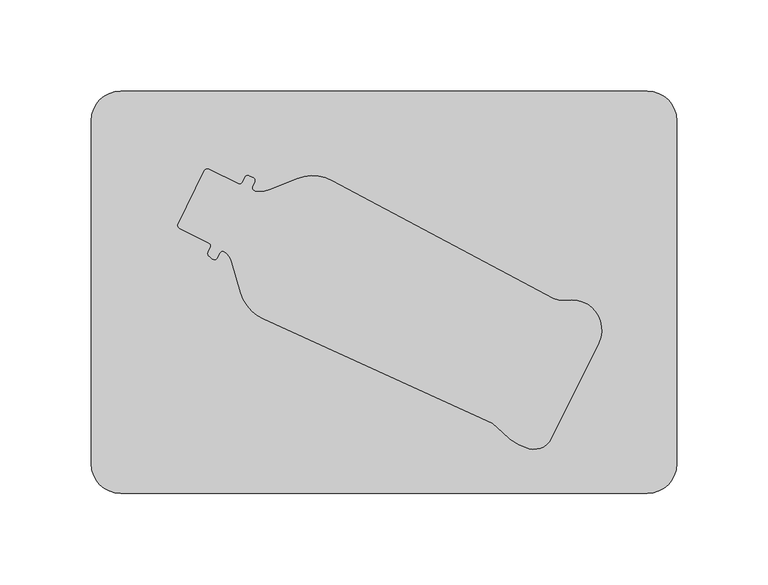
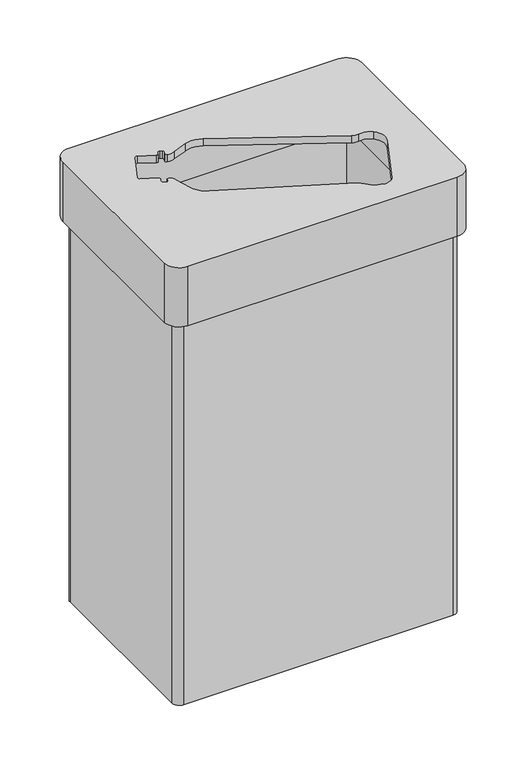
"""IFC4 building model written with IfcOpenShell, lengths in millimetres: furniture geometry."""

from ifc_helpers import new_model, si_unit, frame, origin, place, context, project, spatial, polyline, circle_curve, source, transform, mapped, element, save
from ifc_brep_helpers import plane_surface, cylinder_surface, revolved_surface, advanced_brep


def furniture_3e6a108d(model_context):
    return source(origin(), model_context, "Body", "AdvancedBrep", [
        advanced_brep(
        [(144.0, 110.0, 500.0), (-144.0, 110.0, 500.0), (-160.0, 94.0, 500.0), (-160.0, -94.0, 500.0), (-144.0, -110.0, 500.0), (144.0, -110.0, 500.0), (160.0, -94.0, 500.0), (160.0, 94.0, 500.0), (59.5843107, -71.6563973, 500.0), (-65.8931473, -14.6079938, 500.0), (-78.2521723, -0.2895037, 500.0), (-83.1803377, 16.6169973, 500.0), (-87.0044495, 22.1215762, 500.0), (-89.8301065, 21.5731394, 500.0), (-91.1059775, 18.9830206, 500.0), (-93.8036148, 18.3302183, 500.0), (-95.4113824, 19.5228809, 500.0), (-96.2339096, 21.9424259, 500.0), (-94.9243949, 24.6008441, 500.0), (-95.7469221, 27.020389, 500.0), (-111.7313977, 34.8942089, 500.0), (-112.5539249, 37.3137539, 500.0), (-98.1807647, 66.4924032, 500.0), (-95.7612197, 67.3149304, 500.0), (-79.776744, 59.4411105, 500.0), (-77.3571991, 60.2636377, 500.0), (-76.0476844, 62.9220559, 500.0), (-73.6281394, 63.744583, 500.0), (-71.5704661, 62.7309902, 500.0), (-70.7479389, 60.3114453, 500.0), (-71.8519965, 58.0701212, 500.0), (-70.5646552, 55.4956556, 500.0), (-62.5959675, 56.2532835, 500.0), (-47.4626798, 62.2155953, 500.0), (-28.5783978, 61.1438919, 500.0), (92.6808897, -3.330815, 500.0), (99.7648604, -4.4150109, 500.0), (113.5191292, -8.209037, 500.0), (117.3449783, -27.5875375, 500.0), (91.5026253, -80.049553, 500.0), (79.4158996, -85.5472068, 500.0), (64.8157204, -76.6560157, 500.0), (144.0, 110.0, 433.0), (160.0, 94.0, 433.0), (160.0, -94.0, 433.0), (144.0, -110.0, 433.0), (-144.0, -110.0, 433.0), (-160.0, -94.0, 433.0), (-160.0, 94.0, 433.0), (-144.0, 110.0, 433.0), (144.0, 94.0, 433.0), (-144.0, 94.0, 433.0), (-144.0, -94.0, 433.0), (144.0, -94.0, 433.0), (144.0, -94.0, 492.0), (144.0, 94.0, 492.0), (-144.0, -94.0, 492.0), (-144.0, 94.0, 492.0), (59.5843107, -71.6563973, 492.0), (64.8157204, -76.6560157, 492.0), (79.4158996, -85.5472068, 492.0), (91.5026253, -80.049553, 492.0), (117.3449783, -27.5875375, 492.0), (113.5191292, -8.209037, 492.0), (99.7648604, -4.4150109, 492.0), (92.6808897, -3.330815, 492.0), (-28.5783978, 61.1438919, 492.0), (-47.4626798, 62.2155953, 492.0), (-62.5959675, 56.2532835, 492.0), (-70.5646552, 55.4956556, 492.0), (-71.8519965, 58.0701212, 492.0), (-70.7479389, 60.3114453, 492.0), (-71.5704661, 62.7309902, 492.0), (-73.6281394, 63.744583, 492.0), (-76.0476844, 62.9220559, 492.0), (-77.3571991, 60.2636377, 492.0), (-79.776744, 59.4411105, 492.0), (-95.7612197, 67.3149304, 492.0), (-98.1807647, 66.4924032, 492.0), (-112.5539249, 37.3137539, 492.0), (-111.7313977, 34.8942089, 492.0), (-95.7469221, 27.020389, 492.0), (-94.9243949, 24.6008441, 492.0), (-96.2339096, 21.9424259, 492.0), (-95.4113824, 19.5228809, 492.0), (-93.8036148, 18.3302183, 492.0), (-91.1059775, 18.9830206, 492.0), (-89.8301065, 21.5731394, 492.0), (-87.0044495, 22.1215762, 492.0), (-83.1803377, 16.6169973, 492.0), (-78.2521723, -0.2895037, 492.0), (-65.8931473, -14.6079938, 492.0)],
        [
            (0, 1),
            (1, 2, circle_curve(frame((-144.0, 94.0, 500.0), z_axis=(0.0, 0.0, 1.0), x_axis=(1.0, 0.0, 0.0)), 16.0)),
            (2, 3),
            (3, 4, circle_curve(frame((-144.0, -94.0, 500.0), z_axis=(0.0, 0.0, 1.0), x_axis=(1.0, 0.0, 0.0)), 16.0)),
            (4, 5),
            (5, 6, circle_curve(frame((144.0, -94.0, 500.0), z_axis=(0.0, 0.0, 1.0), x_axis=(1.0, 0.0, 0.0)), 16.0)),
            (6, 7),
            (7, 0, circle_curve(frame((144.0, 94.0, 500.0), z_axis=(0.0, 0.0, 1.0), x_axis=(1.0, 0.0, 0.0)), 16.0)),
            (8, 9),
            (9, 10, circle_curve(frame((-56.5444017, 5.9544893, 500.0), z_axis=(0.0, 0.0, -1.0), x_axis=(1.0, 0.0, 0.0)), 22.5879338)),
            (10, 11),
            (11, 12, circle_curve(frame((-93.398379, 13.5989968, 500.0), z_axis=(0.0, 0.0, 1.0), x_axis=(1.0, 0.0, 0.0)), 10.6544214)),
            (12, 13, circle_curve(frame((-88.1691769, 20.5690908, 500.0), z_axis=(0.0, 0.0, 1.0), x_axis=(1.0, 0.0, 0.0)), 1.9408247)),
            (13, 14),
            (14, 15, circle_curve(frame((-92.7270136, 19.7815295, 500.0), z_axis=(0.0, 0.0, -1.0), x_axis=(1.0, 0.0, 0.0)), 1.8070347)),
            (15, 16),
            (16, 17, circle_curve(frame((-94.0726412, 21.3275696, 500.0), z_axis=(0.0, 0.0, -1.0), x_axis=(1.0, 0.0, 0.0)), 2.2470268)),
            (17, 18),
            (18, 19, circle_curve(frame((-96.545431, 25.399353, 500.0), z_axis=(0.0, 0.0, 1.0), x_axis=(1.0, 0.0, 0.0)), 1.8070347)),
            (19, 20),
            (20, 21, circle_curve(frame((-110.9328888, 36.515245, 500.0), z_axis=(0.0, 0.0, -1.0), x_axis=(1.0, 0.0, 0.0)), 1.8070347)),
            (21, 22),
            (22, 23, circle_curve(frame((-96.5597286, 65.6938943, 500.0), z_axis=(0.0, 0.0, -1.0), x_axis=(1.0, 0.0, 0.0)), 1.8070347)),
            (23, 24),
            (24, 25, circle_curve(frame((-78.9782351, 61.0621466, 500.0), z_axis=(0.0, 0.0, 1.0), x_axis=(1.0, 0.0, 0.0)), 1.8070347)),
            (25, 26),
            (26, 27, circle_curve(frame((-74.4266483, 62.1235469, 500.0), z_axis=(0.0, 0.0, -1.0), x_axis=(1.0, 0.0, 0.0)), 1.8070347)),
            (27, 28),
            (28, 29, circle_curve(frame((-72.368975, 61.1099542, 500.0), z_axis=(0.0, 0.0, -1.0), x_axis=(1.0, 0.0, 0.0)), 1.8070347)),
            (29, 30),
            (30, 31, circle_curve(frame((-70.2309604, 57.2716123, 500.0), z_axis=(0.0, 0.0, 1.0), x_axis=(1.0, 0.0, 0.0)), 1.8070347)),
            (31, 32, circle_curve(frame((-67.8950968, 69.7033092, 500.0), z_axis=(0.0, 0.0, 1.0), x_axis=(1.0, 0.0, 0.0)), 14.4562776)),
            (32, 33),
            (33, 34, circle_curve(frame((-39.1827904, 41.1999301, 500.0), z_axis=(0.0, 0.0, -1.0), x_axis=(1.0, 0.0, 0.0)), 22.5879338)),
            (34, 35),
            (35, 36, circle_curve(frame((97.7709982, 6.2422867, 500.0), z_axis=(0.0, 0.0, 1.0), x_axis=(1.0, 0.0, 0.0)), 10.8422082)),
            (36, 37, circle_curve(frame((102.7556536, -20.4009574, 500.0), z_axis=(0.0, 0.0, -1.0), x_axis=(1.0, 0.0, 0.0)), 16.2633123)),
            (37, 38, circle_curve(frame((102.7556536, -20.4009574, 500.0), z_axis=(0.0, 0.0, -1.0), x_axis=(1.0, 0.0, 0.0)), 16.2633123)),
            (38, 39),
            (39, 40, circle_curve(frame((82.0352719, -75.2706533, 500.0), z_axis=(0.0, 0.0, -1.0), x_axis=(1.0, 0.0, 0.0)), 10.6051244)),
            (40, 41, circle_curve(frame((86.6195994, -57.2850133, 500.0), z_axis=(0.0, 0.0, -1.0), x_axis=(1.0, 0.0, 0.0)), 29.1658169)),
            (41, 8, circle_curve(frame((31.6593098, -106.1128343, 500.0), z_axis=(0.0, 0.0, 1.0), x_axis=(1.0, 0.0, 0.0)), 44.3514569)),
            (42, 43, circle_curve(frame((144.0, 94.0, 433.0), z_axis=(0.0, 0.0, -1.0), x_axis=(1.0, 0.0, 0.0)), 16.0)),
            (43, 44),
            (44, 45, circle_curve(frame((144.0, -94.0, 433.0), z_axis=(0.0, 0.0, -1.0), x_axis=(1.0, 0.0, 0.0)), 16.0)),
            (45, 46),
            (46, 47, circle_curve(frame((-144.0, -94.0, 433.0), z_axis=(0.0, 0.0, -1.0), x_axis=(1.0, 0.0, 0.0)), 16.0)),
            (47, 48),
            (48, 49, circle_curve(frame((-144.0, 94.0, 433.0), z_axis=(0.0, 0.0, -1.0), x_axis=(1.0, 0.0, 0.0)), 16.0)),
            (49, 42),
            (50, 51),
            (51, 52),
            (52, 53),
            (53, 50),
            (0, 42),
            (49, 1),
            (48, 2),
            (47, 3),
            (46, 4),
            (45, 5),
            (44, 6),
            (43, 7),
            (53, 54),
            (54, 55),
            (55, 50),
            (52, 56),
            (56, 54),
            (51, 57),
            (57, 56),
            (55, 57),
            (58, 59, circle_curve(frame((31.6593098, -106.1128343, 492.0), z_axis=(0.0, 0.0, -1.0), x_axis=(1.0, 0.0, 0.0)), 44.3514569)),
            (59, 60, circle_curve(frame((86.6195994, -57.2850133, 492.0), z_axis=(0.0, 0.0, 1.0), x_axis=(1.0, 0.0, 0.0)), 29.1658169)),
            (60, 61, circle_curve(frame((82.0352719, -75.2706533, 492.0), z_axis=(0.0, 0.0, 1.0), x_axis=(1.0, 0.0, 0.0)), 10.6051244)),
            (61, 62),
            (62, 63, circle_curve(frame((102.7556536, -20.4009574, 492.0), z_axis=(0.0, 0.0, 1.0), x_axis=(1.0, 0.0, 0.0)), 16.2633123)),
            (63, 64, circle_curve(frame((102.7556536, -20.4009574, 492.0), z_axis=(0.0, 0.0, 1.0), x_axis=(1.0, 0.0, 0.0)), 16.2633123)),
            (64, 65, circle_curve(frame((97.7709982, 6.2422867, 492.0), z_axis=(0.0, 0.0, -1.0), x_axis=(1.0, 0.0, 0.0)), 10.8422082)),
            (65, 66),
            (66, 67, circle_curve(frame((-39.1827904, 41.1999301, 492.0), z_axis=(0.0, 0.0, 1.0), x_axis=(1.0, 0.0, 0.0)), 22.5879338)),
            (67, 68),
            (68, 69, circle_curve(frame((-67.8950968, 69.7033092, 492.0), z_axis=(0.0, 0.0, -1.0), x_axis=(1.0, 0.0, 0.0)), 14.4562776)),
            (69, 70, circle_curve(frame((-70.2309604, 57.2716123, 492.0), z_axis=(0.0, 0.0, -1.0), x_axis=(1.0, 0.0, 0.0)), 1.8070347)),
            (70, 71),
            (71, 72, circle_curve(frame((-72.368975, 61.1099542, 492.0), z_axis=(0.0, 0.0, 1.0), x_axis=(1.0, 0.0, 0.0)), 1.8070347)),
            (72, 73),
            (73, 74, circle_curve(frame((-74.4266483, 62.1235469, 492.0), z_axis=(0.0, 0.0, 1.0), x_axis=(1.0, 0.0, 0.0)), 1.8070347)),
            (74, 75),
            (75, 76, circle_curve(frame((-78.9782351, 61.0621466, 492.0), z_axis=(0.0, 0.0, -1.0), x_axis=(1.0, 0.0, 0.0)), 1.8070347)),
            (76, 77),
            (77, 78, circle_curve(frame((-96.5597286, 65.6938943, 492.0), z_axis=(0.0, 0.0, 1.0), x_axis=(1.0, 0.0, 0.0)), 1.8070347)),
            (78, 79),
            (79, 80, circle_curve(frame((-110.9328888, 36.515245, 492.0), z_axis=(0.0, 0.0, 1.0), x_axis=(1.0, 0.0, 0.0)), 1.8070347)),
            (80, 81),
            (81, 82, circle_curve(frame((-96.545431, 25.399353, 492.0), z_axis=(0.0, 0.0, -1.0), x_axis=(1.0, 0.0, 0.0)), 1.8070347)),
            (82, 83),
            (83, 84, circle_curve(frame((-94.0726412, 21.3275696, 492.0), z_axis=(0.0, 0.0, 1.0), x_axis=(1.0, 0.0, 0.0)), 2.2470268)),
            (84, 85),
            (85, 86, circle_curve(frame((-92.7270136, 19.7815295, 492.0), z_axis=(0.0, 0.0, 1.0), x_axis=(1.0, 0.0, 0.0)), 1.8070347)),
            (86, 87),
            (87, 88, circle_curve(frame((-88.1691769, 20.5690908, 492.0), z_axis=(0.0, 0.0, -1.0), x_axis=(1.0, 0.0, 0.0)), 1.9408247)),
            (88, 89, circle_curve(frame((-93.398379, 13.5989968, 492.0), z_axis=(0.0, 0.0, -1.0), x_axis=(1.0, 0.0, 0.0)), 10.6544214)),
            (89, 90),
            (90, 91, circle_curve(frame((-56.5444017, 5.9544893, 492.0), z_axis=(0.0, 0.0, 1.0), x_axis=(1.0, 0.0, 0.0)), 22.5879338)),
            (91, 58),
            (8, 58),
            (91, 9),
            (90, 10),
            (89, 11),
            (88, 12),
            (87, 13),
            (86, 14),
            (85, 15),
            (84, 16),
            (83, 17),
            (82, 18),
            (81, 19),
            (80, 20),
            (79, 21),
            (78, 22),
            (77, 23),
            (76, 24),
            (75, 25),
            (74, 26),
            (73, 27),
            (72, 28),
            (71, 29),
            (70, 30),
            (69, 31),
            (68, 32),
            (67, 33),
            (66, 34),
            (65, 35),
            (64, 36),
            (63, 37),
            (62, 38),
            (61, 39),
            (60, 40),
            (59, 41),
        ],
        [
            plane_surface(frame((144.0, 110.0, 500.0), z_axis=(0.0, 0.0, 1.0), x_axis=(-1.0, 0.0, 0.0))),
            plane_surface(frame((144.0, 110.0, 433.0), z_axis=(0.0, 0.0, -1.0), x_axis=(1.0, 0.0, 0.0))),
            plane_surface(frame((144.0, 110.0, 500.0), z_axis=(0.0, 1.0, 0.0), x_axis=(0.0, 0.0, -1.0))),
            cylinder_surface(frame((-144.0, 94.0, 433.0), z_axis=(0.0, 0.0, 1.0), x_axis=(1.0, 0.0, 0.0)), 16.0),
            plane_surface(frame((-160.0, 94.0, 500.0), z_axis=(-1.0, 0.0, 0.0), x_axis=(0.0, 0.0, -1.0))),
            cylinder_surface(frame((-144.0, -94.0, 433.0), z_axis=(0.0, 0.0, 1.0), x_axis=(1.0, 0.0, 0.0)), 16.0),
            plane_surface(frame((-144.0, -110.0, 500.0), z_axis=(0.0, -1.0, 0.0), x_axis=(0.0, 0.0, -1.0))),
            cylinder_surface(frame((144.0, -94.0, 433.0), z_axis=(0.0, 0.0, 1.0), x_axis=(1.0, 0.0, 0.0)), 16.0),
            plane_surface(frame((160.0, -94.0, 500.0), z_axis=(1.0, 0.0, 0.0), x_axis=(0.0, 0.0, -1.0))),
            cylinder_surface(frame((144.0, 94.0, 433.0), z_axis=(0.0, 0.0, 1.0), x_axis=(1.0, 0.0, 0.0)), 16.0),
            plane_surface(frame((144.0, 94.0, 500.0), z_axis=(-1.0, 0.0, 0.0), x_axis=(0.0, 0.0, -1.0))),
            plane_surface(frame((144.0, -94.0, 500.0), z_axis=(0.0, 1.0, 0.0), x_axis=(0.0, 0.0, -1.0))),
            plane_surface(frame((-144.0, -94.0, 500.0), z_axis=(1.0, 0.0, 0.0), x_axis=(0.0, 0.0, -1.0))),
            plane_surface(frame((-144.0, 94.0, 500.0), z_axis=(0.0, -1.0, 0.0), x_axis=(0.0, 0.0, -1.0))),
            plane_surface(frame((-144.0, 94.0, 492.0), z_axis=(0.0, 0.0, -1.0), x_axis=(1.0, 0.0, 0.0))),
            plane_surface(frame((59.5843107, -71.6563973, 500.0), z_axis=(0.41388228194710813, 0.9103304107247295, 0.0), x_axis=(0.0, 0.0, -1.0))),
            revolved_surface(polyline([(-33.95646790000001, 5.9544893, 492.0), (-33.95646790000001, 5.9544893, 500.0)]), (-56.5444017, 5.9544893, 500.0), (0.0, 0.0, -1.0)),
            plane_surface(frame((-78.2521723, -0.2895037, 500.0), z_axis=(0.960044212937738, 0.27984836823672776, 0.0), x_axis=(0.0, 0.0, -1.0))),
            cylinder_surface(frame((-93.398379, 13.5989968, 500.0), z_axis=(0.0, 0.0, 1.0), x_axis=(1.0, 0.0, 0.0)), 10.6544214),
            cylinder_surface(frame((-88.1691769, 20.5690908, 500.0), z_axis=(0.0, 0.0, 1.0), x_axis=(1.0, 0.0, 0.0)), 1.9408247),
            plane_surface(frame((-89.8301065, 21.5731394, 500.0), z_axis=(-0.8970696971642247, 0.4418890793283833, 0.0), x_axis=(0.0, 0.0, -1.0))),
            revolved_surface(polyline([(-90.9199789, 19.7815295, 492.0), (-90.9199789, 19.7815295, 500.0)]), (-92.7270136, 19.7815295, 500.0), (0.0, 0.0, -1.0)),
            plane_surface(frame((-93.8036148, 18.3302183, 500.0), z_axis=(0.595783381807569, 0.803145168672474, 0.0), x_axis=(0.0, 0.0, -1.0))),
            revolved_surface(polyline([(-91.8256144, 21.3275696, 492.0), (-91.8256144, 21.3275696, 500.0)]), (-94.0726412, 21.3275696, 500.0), (0.0, 0.0, -1.0)),
            plane_surface(frame((-96.2339096, 21.9424259, 500.0), z_axis=(0.8970696971642766, -0.4418890793282779, 0.0), x_axis=(0.0, 0.0, -1.0))),
            cylinder_surface(frame((-96.545431, 25.399353, 500.0), z_axis=(0.0, 0.0, 1.0), x_axis=(1.0, 0.0, 0.0)), 1.8070347),
            plane_surface(frame((-95.7469221, 27.020389, 500.0), z_axis=(0.44188907932841126, 0.8970696971642109, 0.0), x_axis=(0.0, 0.0, -1.0))),
            revolved_surface(polyline([(-109.1258541, 36.515245, 492.0), (-109.1258541, 36.515245, 500.0)]), (-110.9328888, 36.515245, 500.0), (0.0, 0.0, -1.0)),
            plane_surface(frame((-112.5539249, 37.3137539, 500.0), z_axis=(0.8970696971642161, -0.44188907932840066, 0.0), x_axis=(0.0, 0.0, -1.0))),
            revolved_surface(polyline([(-94.7526939, 65.6938943, 492.0), (-94.7526939, 65.6938943, 500.0)]), (-96.5597286, 65.6938943, 500.0), (0.0, 0.0, -1.0)),
            plane_surface(frame((-95.7612197, 67.3149304, 500.0), z_axis=(-0.44188907932834043, -0.8970696971642459, 0.0), x_axis=(0.0, 0.0, -1.0))),
            cylinder_surface(frame((-78.9782351, 61.0621466, 500.0), z_axis=(0.0, 0.0, 1.0), x_axis=(1.0, 0.0, 0.0)), 1.8070347),
            plane_surface(frame((-77.3571991, 60.2636377, 500.0), z_axis=(0.8970696971641494, -0.44188907932853627, 0.0), x_axis=(0.0, 0.0, -1.0))),
            revolved_surface(polyline([(-72.6196136, 62.1235469, 492.0), (-72.6196136, 62.1235469, 500.0)]), (-74.4266483, 62.1235469, 500.0), (0.0, 0.0, -1.0)),
            plane_surface(frame((-73.6281394, 63.744583, 500.0), z_axis=(-0.44188907932847155, -0.8970696971641812, 0.0), x_axis=(0.0, 0.0, -1.0))),
            revolved_surface(polyline([(-70.5619403, 61.1099542, 492.0), (-70.5619403, 61.1099542, 500.0)]), (-72.368975, 61.1099542, 500.0), (0.0, 0.0, -1.0)),
            plane_surface(frame((-70.7479389, 60.3114453, 500.0), z_axis=(-0.8970696971640695, 0.4418890793286983, 0.0), x_axis=(0.0, 0.0, -1.0))),
            cylinder_surface(frame((-70.2309604, 57.2716123, 500.0), z_axis=(0.0, 0.0, 1.0), x_axis=(1.0, 0.0, 0.0)), 1.8070347),
            cylinder_surface(frame((-67.8950968, 69.7033092, 500.0), z_axis=(0.0, 0.0, 1.0), x_axis=(1.0, 0.0, 0.0)), 14.4562776),
            plane_surface(frame((-62.5959675, 56.2532835, 500.0), z_axis=(0.3665625005419402, -0.9303934292526147, 0.0), x_axis=(0.0, 0.0, -1.0))),
            revolved_surface(polyline([(-16.594856600000004, 41.1999301, 492.0), (-16.594856600000004, 41.1999301, 500.0)]), (-39.1827904, 41.1999301, 500.0), (0.0, 0.0, -1.0)),
            plane_surface(frame((-28.5783978, 61.1438919, 500.0), z_axis=(-0.4694715627858957, -0.8829475928589243, 0.0), x_axis=(0.0, 0.0, -1.0))),
            cylinder_surface(frame((97.7709982, 6.2422867, 500.0), z_axis=(0.0, 0.0, 1.0), x_axis=(1.0, 0.0, 0.0)), 10.8422082),
            revolved_surface(polyline([(119.0189659, -20.4009574, 492.0), (119.0189659, -20.4009574, 500.0)]), (102.7556536, -20.4009574, 500.0), (0.0, 0.0, -1.0)),
            plane_surface(frame((117.3449783, -27.5875375, 500.0), z_axis=(-0.8970696971642149, 0.4418890793284032, 0.0), x_axis=(0.0, 0.0, -1.0))),
            revolved_surface(polyline([(92.64039629999999, -75.2706533, 492.0), (92.64039629999999, -75.2706533, 500.0)]), (82.0352719, -75.2706533, 500.0), (0.0, 0.0, -1.0)),
            revolved_surface(polyline([(115.7854163, -57.2850133, 492.0), (115.7854163, -57.2850133, 500.0)]), (86.6195994, -57.2850133, 500.0), (0.0, 0.0, -1.0)),
            cylinder_surface(frame((31.6593098, -106.1128343, 500.0), z_axis=(0.0, 0.0, 1.0), x_axis=(1.0, 0.0, 0.0)), 44.3514569),
        ],
        [
            (0, [[1, 2, 3, 4, 5, 6, 7, 8], [9, 10, 11, 12, 13, 14, 15, 16, 17, 18, 19, 20, 21, 22, 23, 24, 25, 26, 27, 28, 29, 30, 31, 32, 33, 34, 35, 36, 37, 38, 39, 40, 41, 42]]),
            (1, [[43, 44, 45, 46, 47, 48, 49, 50], [51, 52, 53, 54]]),
            (2, [[-1, 55, -50, 56]]),
            (3, [[-2, -56, -49, 57]]),
            (4, [[-3, -57, -48, 58]]),
            (5, [[-4, -58, -47, 59]]),
            (6, [[-5, -59, -46, 60]]),
            (7, [[-6, -60, -45, 61]]),
            (8, [[-7, -61, -44, 62]]),
            (9, [[-8, -62, -43, -55]]),
            (10, [[-54, 63, 64, 65]]),
            (11, [[-53, 66, 67, -63]]),
            (12, [[-52, 68, 69, -66]]),
            (13, [[-51, -65, 70, -68]]),
            (14, [[-64, -67, -69, -70], [71, 72, 73, 74, 75, 76, 77, 78, 79, 80, 81, 82, 83, 84, 85, 86, 87, 88, 89, 90, 91, 92, 93, 94, 95, 96, 97, 98, 99, 100, 101, 102, 103, 104]]),
            (15, [[-9, 105, -104, 106]]),
            (16, [[-10, -106, -103, 107]]),
            (17, [[-11, -107, -102, 108]]),
            (18, [[-12, -108, -101, 109]]),
            (19, [[-13, -109, -100, 110]]),
            (20, [[-14, -110, -99, 111]]),
            (21, [[-15, -111, -98, 112]]),
            (22, [[-16, -112, -97, 113]]),
            (23, [[-17, -113, -96, 114]]),
            (24, [[-18, -114, -95, 115]]),
            (25, [[-19, -115, -94, 116]]),
            (26, [[-20, -116, -93, 117]]),
            (27, [[-21, -117, -92, 118]]),
            (28, [[-22, -118, -91, 119]]),
            (29, [[-23, -119, -90, 120]]),
            (30, [[-24, -120, -89, 121]]),
            (31, [[-25, -121, -88, 122]]),
            (32, [[-26, -122, -87, 123]]),
            (33, [[-27, -123, -86, 124]]),
            (34, [[-28, -124, -85, 125]]),
            (35, [[-29, -125, -84, 126]]),
            (36, [[-30, -126, -83, 127]]),
            (37, [[-31, -127, -82, 128]]),
            (38, [[-32, -128, -81, 129]]),
            (39, [[-33, -129, -80, 130]]),
            (40, [[-34, -130, -79, 131]]),
            (41, [[-35, -131, -78, 132]]),
            (42, [[-36, -132, -77, 133]]),
            (43, [[-37, -133, -76, 134]]),
            (43, [[-38, -134, -75, 135]]),
            (44, [[-39, -135, -74, 136]]),
            (45, [[-40, -136, -73, 137]]),
            (46, [[-41, -137, -72, 138]]),
            (47, [[-42, -138, -71, -105]]),
        ],
    ),
        advanced_brep(
        [(144.0, -94.0, 8.0), (144.0, 94.0, 8.0), (-144.0, 94.0, 8.0), (-144.0, -94.0, 8.0), (144.0, 102.0, 0.0), (152.0, 94.0, 0.0), (152.0, -94.0, 0.0), (144.0, -102.0, 0.0), (-144.0, -102.0, 0.0), (-152.0, -94.0, 0.0), (-152.0, 94.0, 0.0), (-144.0, 102.0, 0.0), (144.0, 102.0, 433.0), (-144.0, 102.0, 433.0), (-152.0, 94.0, 433.0), (-152.0, -94.0, 433.0), (-144.0, -102.0, 433.0), (144.0, -102.0, 433.0), (152.0, -94.0, 433.0), (152.0, 94.0, 433.0), (144.0, 94.0, 433.0), (144.0, -94.0, 433.0), (-144.0, -94.0, 433.0), (-144.0, 94.0, 433.0)],
        [
            (0, 1),
            (1, 2),
            (2, 3),
            (3, 0),
            (4, 5, circle_curve(frame((144.0, 94.0, 0.0), z_axis=(0.0, 0.0, -1.0), x_axis=(1.0, 0.0, 0.0)), 8.0)),
            (5, 6),
            (6, 7, circle_curve(frame((144.0, -94.0, 0.0), z_axis=(0.0, 0.0, -1.0), x_axis=(1.0, 0.0, 0.0)), 8.0)),
            (7, 8),
            (8, 9, circle_curve(frame((-144.0, -94.0, 0.0), z_axis=(0.0, 0.0, -1.0), x_axis=(1.0, 0.0, 0.0)), 8.0)),
            (9, 10),
            (10, 11, circle_curve(frame((-144.0, 94.0, 0.0), z_axis=(0.0, 0.0, -1.0), x_axis=(1.0, 0.0, 0.0)), 8.0)),
            (11, 4),
            (12, 13),
            (13, 14, circle_curve(frame((-144.0, 94.0, 433.0), z_axis=(0.0, 0.0, 1.0), x_axis=(1.0, 0.0, 0.0)), 8.0)),
            (14, 15),
            (15, 16, circle_curve(frame((-144.0, -94.0, 433.0), z_axis=(0.0, 0.0, 1.0), x_axis=(1.0, 0.0, 0.0)), 8.0)),
            (16, 17),
            (17, 18, circle_curve(frame((144.0, -94.0, 433.0), z_axis=(0.0, 0.0, 1.0), x_axis=(1.0, 0.0, 0.0)), 8.0)),
            (18, 19),
            (19, 12, circle_curve(frame((144.0, 94.0, 433.0), z_axis=(0.0, 0.0, 1.0), x_axis=(1.0, 0.0, 0.0)), 8.0)),
            (20, 21),
            (21, 22),
            (22, 23),
            (23, 20),
            (20, 1),
            (0, 21),
            (3, 22),
            (2, 23),
            (12, 4),
            (11, 13),
            (10, 14),
            (9, 15),
            (8, 16),
            (7, 17),
            (6, 18),
            (5, 19),
        ],
        [
            plane_surface(frame((-144.0, 94.0, 8.0), z_axis=(0.0, 0.0, 1.0), x_axis=(-1.0, 0.0, 0.0))),
            plane_surface(frame((-144.0, 94.0, 0.0), z_axis=(0.0, 0.0, -1.0), x_axis=(1.0, 0.0, 0.0))),
            plane_surface(frame((144.0, 94.0, 433.0), z_axis=(0.0, 0.0, 1.0), x_axis=(0.0, -1.0, 0.0))),
            plane_surface(frame((144.0, 94.0, 433.0), z_axis=(-1.0, 0.0, 0.0), x_axis=(0.0, 0.0, -1.0))),
            plane_surface(frame((144.0, -94.0, 433.0), z_axis=(0.0, 1.0, 0.0), x_axis=(0.0, 0.0, -1.0))),
            plane_surface(frame((-144.0, -94.0, 433.0), z_axis=(1.0, 0.0, 0.0), x_axis=(0.0, 0.0, -1.0))),
            plane_surface(frame((-144.0, 94.0, 433.0), z_axis=(0.0, -1.0, 0.0), x_axis=(0.0, 0.0, -1.0))),
            plane_surface(frame((144.0, 102.0, 433.0), z_axis=(0.0, 1.0, 0.0), x_axis=(0.0, 0.0, -1.0))),
            cylinder_surface(frame((-144.0, 94.0, 0.0), z_axis=(0.0, 0.0, 1.0), x_axis=(1.0, 0.0, 0.0)), 8.0),
            plane_surface(frame((-152.0, 94.0, 433.0), z_axis=(-1.0, 0.0, 0.0), x_axis=(0.0, 0.0, -1.0))),
            cylinder_surface(frame((-144.0, -94.0, 0.0), z_axis=(0.0, 0.0, 1.0), x_axis=(1.0, 0.0, 0.0)), 8.0),
            plane_surface(frame((-144.0, -102.0, 433.0), z_axis=(0.0, -1.0, 0.0), x_axis=(0.0, 0.0, -1.0))),
            cylinder_surface(frame((144.0, -94.0, 0.0), z_axis=(0.0, 0.0, 1.0), x_axis=(1.0, 0.0, 0.0)), 8.0),
            plane_surface(frame((152.0, -94.0, 433.0), z_axis=(1.0, 0.0, 0.0), x_axis=(0.0, 0.0, -1.0))),
            cylinder_surface(frame((144.0, 94.0, 0.0), z_axis=(0.0, 0.0, 1.0), x_axis=(1.0, 0.0, 0.0)), 8.0),
        ],
        [
            (0, [[1, 2, 3, 4]]),
            (1, [[5, 6, 7, 8, 9, 10, 11, 12]]),
            (2, [[13, 14, 15, 16, 17, 18, 19, 20], [21, 22, 23, 24]]),
            (3, [[-21, 25, -1, 26]]),
            (4, [[-22, -26, -4, 27]]),
            (5, [[-23, -27, -3, 28]]),
            (6, [[-24, -28, -2, -25]]),
            (7, [[-13, 29, -12, 30]]),
            (8, [[-14, -30, -11, 31]]),
            (9, [[-15, -31, -10, 32]]),
            (10, [[-16, -32, -9, 33]]),
            (11, [[-17, -33, -8, 34]]),
            (12, [[-18, -34, -7, 35]]),
            (13, [[-19, -35, -6, 36]]),
            (14, [[-20, -36, -5, -29]]),
        ],
    ),
    ])


if __name__ == "__main__":
    model = new_model("IFC4")
    model_context = context("Model", 3, world=origin())
    ifc_project = project(units=[si_unit("LENGTHUNIT", "METRE", prefix="MILLI")], contexts=[model_context])
    site = spatial("IfcSite", under=ifc_project)
    building = spatial("IfcBuilding", under=site)
    placement = place(None, origin())
    furniture_shape = furniture_3e6a108d(model_context)
    element("IfcFurniture", 1, at=placement, inside=building, context=model_context, shape_type="MappedRepresentation", body=[
        mapped(furniture_shape, transform((0.0, 0.0, 0.0), x_axis=(1.0, 0.0, 0.0), y_axis=(0.0, 1.0, 0.0), z_axis=(0.0, 0.0, 1.0))),
    ])
    save(model, "model.ifc")
